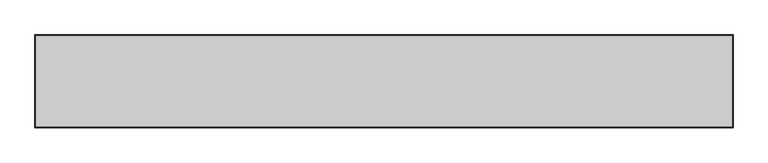
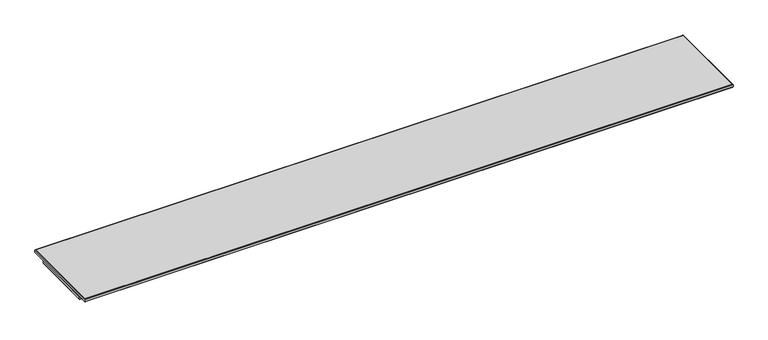
"""IFC4 building model written with IfcOpenShell, lengths in millimetres: furniture geometry."""

import ifcopenshell
import ifcopenshell.guid

model = None  # the IFC model being written
_history = None  # IfcOwnerHistory: only IFC2X3 demands one
_inside = {}  # id of a spatial element -> (the spatial element, [elements in it])
_under = {}  # id of a project, library or spatial element -> (it, [spatial elements below it])
_declared = {}  # id of a project -> (the project, [libraries it declares])
_typed = {}  # id of a type object -> (the type object, [elements of that type])
_made_of = {}  # id of a material, layer set ... -> (it, [elements and type objects made of it])


def new_model(schema):
    """Start an empty IFC model of exactly this schema.

    Asked for "IFC4X3", IfcOpenShell would pick the latest addendum, in which some entities
    have other attributes; the version numbers below select the first issue.
    IFC2X3 requires an IfcOwnerHistory on every rooted entity: one is made here for all.
    """
    global model, _history
    if schema == "IFC4X3":
        model = ifcopenshell.file(schema_version=(4, 3, 0, 0))
    else:
        model = ifcopenshell.file(schema=schema)
    _inside.clear()
    _under.clear()
    _declared.clear()
    _typed.clear()
    _made_of.clear()
    _history = None
    if model.schema == "IFC2X3":
        org = make("IfcOrganization", Name="unknown")
        user = make(
            "IfcPersonAndOrganization",
            ThePerson=make("IfcPerson", FamilyName="unknown"),
            TheOrganization=org,
        )
        app = make(
            "IfcApplication",
            ApplicationDeveloper=org,
            Version="unknown",
            ApplicationFullName="unknown",
            ApplicationIdentifier="unknown",
        )
        _history = make(
            "IfcOwnerHistory",
            OwningUser=user,
            OwningApplication=app,
            ChangeAction="ADDED",
            CreationDate=0,
        )
    return model


def make(cls, **values):
    """One entity of the class cls with the attributes given. An attribute that is None is left unset."""
    return model.create_entity(
        cls, **{name: value for name, value in values.items() if value is not None}
    )


def rooted(cls, **values):
    """An entity with a GlobalId (a new one), such as an element, a storey or a relation."""
    return make(cls, GlobalId=ifcopenshell.guid.new(), OwnerHistory=_history, **values)


def si_unit(unit_type, name, prefix=None):
    """IfcSIUnit, for example si_unit("LENGTHUNIT", "METRE", prefix="MILLI")."""
    return make("IfcSIUnit", UnitType=unit_type, Prefix=prefix, Name=name)


def assignment(units):
    """IfcUnitAssignment: the units of a project."""
    return None if units is None else make("IfcUnitAssignment", Units=units)


def point(xyz):
    """IfcCartesianPoint."""
    return None if xyz is None else make("IfcCartesianPoint", Coordinates=xyz)


def direction(xyz):
    """IfcDirection."""
    return None if xyz is None else make("IfcDirection", DirectionRatios=xyz)


def frame(location, z_axis=None, x_axis=None):
    """IfcAxis2Placement3D, a coordinate frame: its origin and axes. An axis left out is left unset."""
    return make(
        "IfcAxis2Placement3D",
        Location=point(location),
        Axis=direction(z_axis),
        RefDirection=direction(x_axis),
    )


def origin():
    """The frame at (0, 0, 0) with its axes left unset."""
    return frame((0.0, 0.0, 0.0))


def place(relative_to, where):
    """IfcLocalPlacement: puts the frame where relative to a parent placement (None: the world)."""
    return make(
        "IfcLocalPlacement", PlacementRelTo=relative_to, RelativePlacement=where
    )


def context(
    kind, dimensions, precision=None, world=None, true_north=None, identifier=None
):
    """IfcGeometricRepresentationContext, for example the 3D "Model" context."""
    return make(
        "IfcGeometricRepresentationContext",
        ContextIdentifier=identifier,
        ContextType=kind,
        CoordinateSpaceDimension=dimensions,
        Precision=precision,
        WorldCoordinateSystem=world,
        TrueNorth=true_north,
    )


def project(units=None, contexts=None):
    """IfcProject with its units and contexts."""
    return rooted(
        "IfcProject",
        Name="project",
        RepresentationContexts=contexts,
        UnitsInContext=assignment(units),
    )


def spatial(cls, under=None, at=None, **own):
    """A site, building, storey or space (cls), placed at a placement, below another one or the project."""
    s = rooted(cls, ObjectPlacement=at, **own)
    if under is not None:
        _under.setdefault(under.id(), (under, []))[1].append(s)
    return s


def polyline(points):
    """IfcPolyline through the points."""
    return make("IfcPolyline", Points=[point(p) for p in points])


def outline(outer, holes=None, kind="AREA"):
    """IfcArbitraryClosedProfileDef: a profile drawn as a closed curve; with holes, ...WithVoids."""
    if holes is None:
        return make("IfcArbitraryClosedProfileDef", ProfileType=kind, OuterCurve=outer)
    return make(
        "IfcArbitraryProfileDefWithVoids",
        ProfileType=kind,
        OuterCurve=outer,
        InnerCurves=holes,
    )


def extrude(swept, where, along, depth):
    """IfcExtrudedAreaSolid: the profile swept, set in the frame where, extruded along a direction by depth."""
    return make(
        "IfcExtrudedAreaSolid",
        SweptArea=swept,
        Position=where,
        ExtrudedDirection=direction(along),
        Depth=depth,
    )


def faces_of(points, faces, orient=None, outer=None):
    """IfcFace entities. A face is a list of loops; a loop is a list of indices into points, from 0.

    orient and outer hold one flag for each loop. By default every Orientation is true, the
    first loop of a face is its IfcFaceOuterBound and the others are IfcFaceBound.
    """
    made = []
    for i, loops in enumerate(faces):
        bounds = []
        for j, loop in enumerate(loops):
            is_outer = j == 0 if outer is None else outer[i][j]
            bounds.append(
                make(
                    "IfcFaceOuterBound" if is_outer else "IfcFaceBound",
                    Bound=make("IfcPolyLoop", Polygon=[points[k] for k in loop]),
                    Orientation=True if orient is None else orient[i][j],
                )
            )
        made.append(make("IfcFace", Bounds=bounds))
    return made


def faceted_brep(points, faces, orient=None, outer=None, voids=None):
    """IfcFacetedBrep: a solid bounded by flat faces; with voids (closed shells), ...WithVoids."""
    shared = [point(p) for p in points]
    hull = make("IfcClosedShell", CfsFaces=faces_of(shared, faces, orient, outer))
    if voids is None:
        return make("IfcFacetedBrep", Outer=hull)
    return make(
        "IfcFacetedBrepWithVoids",
        Outer=hull,
        Voids=[
            make(cls, CfsFaces=faces_of(shared, fs, o, b)) for cls, fs, o, b in voids
        ],
    )


def shape(context_of_items, identifier, shape_type, items):
    """IfcShapeRepresentation: the items that make up one representation, for example the "Body"."""
    return make(
        "IfcShapeRepresentation",
        ContextOfItems=context_of_items,
        RepresentationIdentifier=identifier,
        RepresentationType=shape_type,
        Items=items,
    )


def source(mapping_origin, context_of_items, identifier, shape_type, items):
    """IfcRepresentationMap: a shape defined once, which mapped items show again and again."""
    return make(
        "IfcRepresentationMap",
        MappingOrigin=mapping_origin,
        MappedRepresentation=shape(context_of_items, identifier, shape_type, items),
    )


def transform(
    local_origin,
    x_axis=None,
    y_axis=None,
    z_axis=None,
    scale=None,
    scale2=None,
    scale3=None,
    uniform=True,
):
    """IfcCartesianTransformationOperator3D, or its non-uniform kind. x_axis, y_axis, z_axis: its Axis1, 2, 3."""
    if uniform:
        return make(
            "IfcCartesianTransformationOperator3D",
            Axis1=direction(x_axis),
            Axis2=direction(y_axis),
            LocalOrigin=point(local_origin),
            Scale=scale,
            Axis3=direction(z_axis),
        )
    return make(
        "IfcCartesianTransformationOperator3DnonUniform",
        Axis1=direction(x_axis),
        Axis2=direction(y_axis),
        LocalOrigin=point(local_origin),
        Scale=scale,
        Axis3=direction(z_axis),
        Scale2=scale2,
        Scale3=scale3,
    )


def mapped(mapping_source, mapping_target):
    """IfcMappedItem: shows the shape of a source again, moved by a transform."""
    return make(
        "IfcMappedItem", MappingSource=mapping_source, MappingTarget=mapping_target
    )


def made_of(thing, what):
    """Note that an element or type object is made of a material, layer set ...; save() writes the relation."""
    if what is not None:
        _made_of.setdefault(what.id(), (what, []))[1].append(thing)
    return thing


def element(
    cls,
    number,
    at=None,
    inside=None,
    cuts=None,
    type_object=None,
    material=None,
    context=None,
    identifier="Body",
    shape_type=None,
    held_by="IfcProductDefinitionShape",
    body=None,
    shapes=None,
    **own,
):
    """One element of the class cls, such as IfcWall. Its Tag is "e" and its number.

    at: its placement. inside: the storey or other place that contains it. cuts: it is an
    opening in that element (IfcRelVoidsElement). A single representation is given by context,
    identifier, shape_type and body (its items); several are given by shapes. held_by: the class
    of the entity that holds the representations. save() writes the other relations.
    """
    e = rooted(cls, Tag="e%d" % number, ObjectPlacement=at, **own)
    if body is not None:
        shapes = [shape(context, identifier, shape_type, body)]
    if shapes is not None:
        e.Representation = make(held_by, Representations=shapes)
    if inside is not None:
        _inside.setdefault(inside.id(), (inside, []))[1].append(e)
    if cuts is not None:
        rooted(
            "IfcRelVoidsElement", RelatingBuildingElement=cuts, RelatedOpeningElement=e
        )
    if type_object is not None:
        _typed.setdefault(type_object.id(), (type_object, []))[1].append(e)
    return made_of(e, material)


def aggregate(whole, parts):
    """IfcRelAggregates: a whole, such as a stair, and the parts it consists of."""
    return rooted("IfcRelAggregates", RelatingObject=whole, RelatedObjects=parts)


def save(model, path):
    """Write the relations noted so far, then the file.

    IfcRelAggregates (storeys below a building ...), IfcRelContainedInSpatialStructure (elements
    in a storey), IfcRelDefinesByType, IfcRelAssociatesMaterial and IfcRelDeclares: one each for
    every whole, place, type object, material and project.
    """
    for whole, parts in _under.values():
        aggregate(whole, parts)
    for where, things in _inside.values():
        rooted(
            "IfcRelContainedInSpatialStructure",
            RelatedElements=things,
            RelatingStructure=where,
        )
    for kind, things in _typed.values():
        rooted("IfcRelDefinesByType", RelatedObjects=things, RelatingType=kind)
    for what, things in _made_of.values():
        rooted("IfcRelAssociatesMaterial", RelatedObjects=things, RelatingMaterial=what)
    for by, libraries in _declared.values():
        rooted("IfcRelDeclares", RelatingContext=by, RelatedDefinitions=libraries)
    model.write(path)


def furniture_e8f0a545(model_context):
    return source(origin(), model_context, "Body", "SolidModel", [
        faceted_brep([(2437.8142073, 19.7166075, 1043.3885283), (2436.3934, 18.2958003, 1042.8000114), (2.0066, 18.2958003, 1042.8000114), (0.5857927, 19.7166075, 1043.3885283), (2438.4, 20.3024003, 1044.8027589), (0.0, 20.3024003, 1044.8027589), (2438.4, 20.3024003, 1054.8000057), (0.0, 20.3024003, 1054.8000057), (2436.3934, 18.2958003, 1054.8000057), (2.0066, 18.2958003, 1054.8000057), (2.0066, -212.5041983, 1042.8000114), (0.5857927, -213.9250056, 1043.3885283), (0.0, -214.5107983, 1044.8027589), (0.0, -214.5107983, 1054.8000057), (2.0066, -212.5041983, 1054.8000057), (2436.3934, -212.5041983, 1042.8000114), (2437.8142073, -213.9250056, 1043.3885283), (2438.4, -214.5107983, 1044.8027589), (2438.4, -214.5107983, 1054.8000057), (2436.3934, -212.5041983, 1054.8000057)], [[[0, 1, 2, 3]], [[4, 0, 3, 5]], [[6, 4, 5, 7]], [[1, 8, 9, 2]], [[3, 2, 10, 11]], [[5, 3, 11, 12]], [[7, 5, 12, 13]], [[2, 9, 14, 10]], [[11, 10, 15, 16]], [[12, 11, 16, 17]], [[13, 12, 17, 18]], [[10, 14, 19, 15]], [[16, 15, 1, 0]], [[17, 16, 0, 4]], [[18, 17, 4, 6]], [[7, 13, 18, 6], [8, 19, 14, 9]], [[15, 19, 8, 1]]]),
        extrude(outline(polyline([(2436.3934, 18.2958003), (2436.3934, -212.5041983), (2.0066, -212.5041983), (2.0066, 18.2958003), (2436.3934, 18.2958003)])), frame((0.0, 0.0, 1042.8000114), z_axis=(0.0, 0.0, 1.0), x_axis=(1.0, 0.0, 0.0)), (0.0, 0.0, 1.0), 11.9999943),
        faceted_brep([(2437.9082364, 73.7600281, 1055.3857985), (2436.4940059, 72.3457976, 1054.8000057), (1.7526, 72.3457976, 1054.8000057), (0.3383695, 73.7600281, 1055.3857985), (2438.4940291, 74.3458208, 1056.800029), (-0.2474233, 74.3458208, 1056.800029), (2438.4940291, 74.3458208, 1064.7999767), (-0.2474233, 74.3458208, 1064.7999767), (2437.9082364, 73.7600281, 1066.2142073), (0.3383695, 73.7600281, 1066.2142073), (2436.4940059, 72.3457976, 1066.8030114), (1.7526, 72.3457976, 1066.8030114), (1.7526, -247.5042058, 1054.8000057), (0.3383695, -248.9184364, 1055.3857985), (-0.2474233, -249.5042291, 1056.800029), (-0.2474233, -249.5042291, 1064.7999767), (0.3383695, -248.9184364, 1066.2142073), (1.7526, -247.5042058, 1066.8030114), (2436.4940059, -247.5042058, 1054.8000057), (2437.9082364, -248.9184364, 1055.3857985), (2438.4940291, -249.5042291, 1056.800029), (2438.4940291, -249.5042291, 1064.7999767), (2437.9082364, -248.9184364, 1066.2142073), (2436.4940059, -247.5042058, 1066.8030114)], [[[0, 1, 2, 3]], [[4, 0, 3, 5]], [[6, 4, 5, 7]], [[8, 6, 7, 9]], [[10, 8, 9, 11]], [[1, 10, 11, 2]], [[3, 2, 12, 13]], [[5, 3, 13, 14]], [[7, 5, 14, 15]], [[9, 7, 15, 16]], [[11, 9, 16, 17]], [[2, 11, 17, 12]], [[13, 12, 18, 19]], [[14, 13, 19, 20]], [[15, 14, 20, 21]], [[16, 15, 21, 22]], [[17, 16, 22, 23]], [[12, 17, 23, 18]], [[19, 18, 1, 0]], [[20, 19, 0, 4]], [[21, 20, 4, 6]], [[22, 21, 6, 8]], [[23, 22, 8, 10]], [[18, 23, 10, 1]]]),
        extrude(outline(polyline([(2436.4940059, 72.3457976), (2436.4940059, -247.5042058), (1.7526, -247.5042058), (1.7526, 72.3457976), (2436.4940059, 72.3457976)])), frame((0.0, 0.0, 1054.8000057), z_axis=(0.0, 0.0, 1.0), x_axis=(1.0, 0.0, 0.0)), (0.0, 0.0, 1.0), 12.0030057),
    ])


if __name__ == "__main__":
    model = new_model("IFC4")
    model_context = context("Model", 3, world=origin())
    ifc_project = project(units=[si_unit("LENGTHUNIT", "METRE", prefix="MILLI")], contexts=[model_context])
    site = spatial("IfcSite", under=ifc_project)
    building = spatial("IfcBuilding", under=site)
    placement = place(None, origin())
    furniture_shape = furniture_e8f0a545(model_context)
    element("IfcFurniture", 1, at=placement, inside=building, context=model_context, shape_type="MappedRepresentation", body=[
        mapped(furniture_shape, transform((0.0, 0.0, 0.0), x_axis=(1.0, 0.0, 0.0), y_axis=(0.0, 1.0, 0.0), z_axis=(0.0, 0.0, 1.0))),
    ])
    save(model, "model.ifc")
